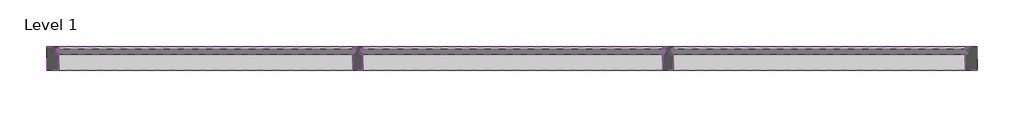
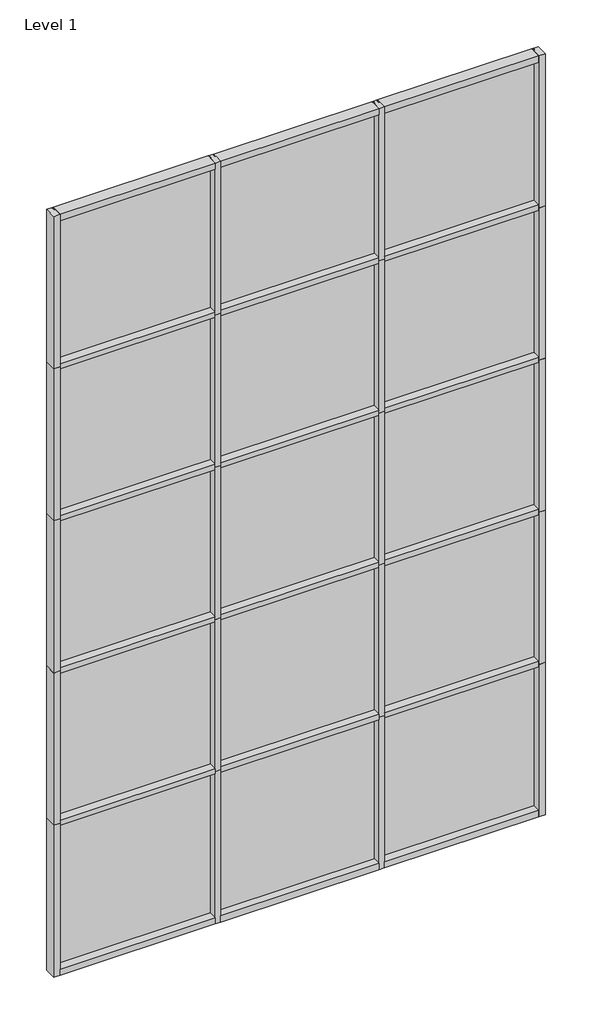
# One storey: 38 members, 15 plates.
"""IFC4 building model written with IfcOpenShell, lengths in millimetres."""

import ifcopenshell
import ifcopenshell.guid

model = None  # the IFC model being written
_history = None  # IfcOwnerHistory: only IFC2X3 demands one
_inside = {}  # id of a spatial element -> (the spatial element, [elements in it])
_under = {}  # id of a project, library or spatial element -> (it, [spatial elements below it])
_declared = {}  # id of a project -> (the project, [libraries it declares])
_typed = {}  # id of a type object -> (the type object, [elements of that type])
_made_of = {}  # id of a material, layer set ... -> (it, [elements and type objects made of it])


def new_model(schema):
    """Start an empty IFC model of exactly this schema.

    Asked for "IFC4X3", IfcOpenShell would pick the latest addendum, in which some entities
    have other attributes; the version numbers below select the first issue.
    IFC2X3 requires an IfcOwnerHistory on every rooted entity: one is made here for all.
    """
    global model, _history
    if schema == "IFC4X3":
        model = ifcopenshell.file(schema_version=(4, 3, 0, 0))
    else:
        model = ifcopenshell.file(schema=schema)
    _inside.clear()
    _under.clear()
    _declared.clear()
    _typed.clear()
    _made_of.clear()
    _history = None
    if model.schema == "IFC2X3":
        org = make("IfcOrganization", Name="unknown")
        user = make(
            "IfcPersonAndOrganization",
            ThePerson=make("IfcPerson", FamilyName="unknown"),
            TheOrganization=org,
        )
        app = make(
            "IfcApplication",
            ApplicationDeveloper=org,
            Version="unknown",
            ApplicationFullName="unknown",
            ApplicationIdentifier="unknown",
        )
        _history = make(
            "IfcOwnerHistory",
            OwningUser=user,
            OwningApplication=app,
            ChangeAction="ADDED",
            CreationDate=0,
        )
    return model


def make(cls, **values):
    """One entity of the class cls with the attributes given. An attribute that is None is left unset."""
    return model.create_entity(
        cls, **{name: value for name, value in values.items() if value is not None}
    )


def rooted(cls, **values):
    """An entity with a GlobalId (a new one), such as an element, a storey or a relation."""
    return make(cls, GlobalId=ifcopenshell.guid.new(), OwnerHistory=_history, **values)


def si_unit(unit_type, name, prefix=None):
    """IfcSIUnit, for example si_unit("LENGTHUNIT", "METRE", prefix="MILLI")."""
    return make("IfcSIUnit", UnitType=unit_type, Prefix=prefix, Name=name)


def assignment(units):
    """IfcUnitAssignment: the units of a project."""
    return None if units is None else make("IfcUnitAssignment", Units=units)


def point(xyz):
    """IfcCartesianPoint."""
    return None if xyz is None else make("IfcCartesianPoint", Coordinates=xyz)


def direction(xyz):
    """IfcDirection."""
    return None if xyz is None else make("IfcDirection", DirectionRatios=xyz)


def frame(location, z_axis=None, x_axis=None):
    """IfcAxis2Placement3D, a coordinate frame: its origin and axes. An axis left out is left unset."""
    return make(
        "IfcAxis2Placement3D",
        Location=point(location),
        Axis=direction(z_axis),
        RefDirection=direction(x_axis),
    )


def origin():
    """The frame at (0, 0, 0) with its axes left unset."""
    return frame((0.0, 0.0, 0.0))


def origin_with_axes():
    """The frame at (0, 0, 0) with the z axis (0, 0, 1) and the x axis (1, 0, 0) written out."""
    return frame((0.0, 0.0, 0.0), z_axis=(0.0, 0.0, 1.0), x_axis=(1.0, 0.0, 0.0))


def place(relative_to, where):
    """IfcLocalPlacement: puts the frame where relative to a parent placement (None: the world)."""
    return make(
        "IfcLocalPlacement", PlacementRelTo=relative_to, RelativePlacement=where
    )


def context(
    kind, dimensions, precision=None, world=None, true_north=None, identifier=None
):
    """IfcGeometricRepresentationContext, for example the 3D "Model" context."""
    return make(
        "IfcGeometricRepresentationContext",
        ContextIdentifier=identifier,
        ContextType=kind,
        CoordinateSpaceDimension=dimensions,
        Precision=precision,
        WorldCoordinateSystem=world,
        TrueNorth=true_north,
    )


def project(units=None, contexts=None):
    """IfcProject with its units and contexts."""
    return rooted(
        "IfcProject",
        Name="project",
        RepresentationContexts=contexts,
        UnitsInContext=assignment(units),
    )


def spatial(cls, under=None, at=None, **own):
    """A site, building, storey or space (cls), placed at a placement, below another one or the project."""
    s = rooted(cls, ObjectPlacement=at, **own)
    if under is not None:
        _under.setdefault(under.id(), (under, []))[1].append(s)
    return s


def polyline(points):
    """IfcPolyline through the points."""
    return make("IfcPolyline", Points=[point(p) for p in points])


def outline(outer, holes=None, kind="AREA"):
    """IfcArbitraryClosedProfileDef: a profile drawn as a closed curve; with holes, ...WithVoids."""
    if holes is None:
        return make("IfcArbitraryClosedProfileDef", ProfileType=kind, OuterCurve=outer)
    return make(
        "IfcArbitraryProfileDefWithVoids",
        ProfileType=kind,
        OuterCurve=outer,
        InnerCurves=holes,
    )


def extrude(swept, where, along, depth):
    """IfcExtrudedAreaSolid: the profile swept, set in the frame where, extruded along a direction by depth."""
    return make(
        "IfcExtrudedAreaSolid",
        SweptArea=swept,
        Position=where,
        ExtrudedDirection=direction(along),
        Depth=depth,
    )


def shape(context_of_items, identifier, shape_type, items):
    """IfcShapeRepresentation: the items that make up one representation, for example the "Body"."""
    return make(
        "IfcShapeRepresentation",
        ContextOfItems=context_of_items,
        RepresentationIdentifier=identifier,
        RepresentationType=shape_type,
        Items=items,
    )


def source(mapping_origin, context_of_items, identifier, shape_type, items):
    """IfcRepresentationMap: a shape defined once, which mapped items show again and again."""
    return make(
        "IfcRepresentationMap",
        MappingOrigin=mapping_origin,
        MappedRepresentation=shape(context_of_items, identifier, shape_type, items),
    )


def transform(
    local_origin,
    x_axis=None,
    y_axis=None,
    z_axis=None,
    scale=None,
    scale2=None,
    scale3=None,
    uniform=True,
):
    """IfcCartesianTransformationOperator3D, or its non-uniform kind. x_axis, y_axis, z_axis: its Axis1, 2, 3."""
    if uniform:
        return make(
            "IfcCartesianTransformationOperator3D",
            Axis1=direction(x_axis),
            Axis2=direction(y_axis),
            LocalOrigin=point(local_origin),
            Scale=scale,
            Axis3=direction(z_axis),
        )
    return make(
        "IfcCartesianTransformationOperator3DnonUniform",
        Axis1=direction(x_axis),
        Axis2=direction(y_axis),
        LocalOrigin=point(local_origin),
        Scale=scale,
        Axis3=direction(z_axis),
        Scale2=scale2,
        Scale3=scale3,
    )


def mapped(mapping_source, mapping_target):
    """IfcMappedItem: shows the shape of a source again, moved by a transform."""
    return make(
        "IfcMappedItem", MappingSource=mapping_source, MappingTarget=mapping_target
    )


def made_of(thing, what):
    """Note that an element or type object is made of a material, layer set ...; save() writes the relation."""
    if what is not None:
        _made_of.setdefault(what.id(), (what, []))[1].append(thing)
    return thing


def element(
    cls,
    number,
    at=None,
    inside=None,
    cuts=None,
    type_object=None,
    material=None,
    context=None,
    identifier="Body",
    shape_type=None,
    held_by="IfcProductDefinitionShape",
    body=None,
    shapes=None,
    **own,
):
    """One element of the class cls, such as IfcWall. Its Tag is "e" and its number.

    at: its placement. inside: the storey or other place that contains it. cuts: it is an
    opening in that element (IfcRelVoidsElement). A single representation is given by context,
    identifier, shape_type and body (its items); several are given by shapes. held_by: the class
    of the entity that holds the representations. save() writes the other relations.
    """
    e = rooted(cls, Tag="e%d" % number, ObjectPlacement=at, **own)
    if body is not None:
        shapes = [shape(context, identifier, shape_type, body)]
    if shapes is not None:
        e.Representation = make(held_by, Representations=shapes)
    if inside is not None:
        _inside.setdefault(inside.id(), (inside, []))[1].append(e)
    if cuts is not None:
        rooted(
            "IfcRelVoidsElement", RelatingBuildingElement=cuts, RelatedOpeningElement=e
        )
    if type_object is not None:
        _typed.setdefault(type_object.id(), (type_object, []))[1].append(e)
    return made_of(e, material)


def aggregate(whole, parts):
    """IfcRelAggregates: a whole, such as a stair, and the parts it consists of."""
    return rooted("IfcRelAggregates", RelatingObject=whole, RelatedObjects=parts)


def save(model, path):
    """Write the relations noted so far, then the file.

    IfcRelAggregates (storeys below a building ...), IfcRelContainedInSpatialStructure (elements
    in a storey), IfcRelDefinesByType, IfcRelAssociatesMaterial and IfcRelDeclares: one each for
    every whole, place, type object, material and project.
    """
    for whole, parts in _under.values():
        aggregate(whole, parts)
    for where, things in _inside.values():
        rooted(
            "IfcRelContainedInSpatialStructure",
            RelatedElements=things,
            RelatingStructure=where,
        )
    for kind, things in _typed.values():
        rooted("IfcRelDefinesByType", RelatedObjects=things, RelatingType=kind)
    for what, things in _made_of.values():
        rooted("IfcRelAssociatesMaterial", RelatedObjects=things, RelatingMaterial=what)
    for by, libraries in _declared.values():
        rooted("IfcRelDeclares", RelatingContext=by, RelatedDefinitions=libraries)
    model.write(path)


def rectangular_mullion_2fa33fcc(model_context):
    return source(origin(), model_context, "Body", "SweptSolid", [
        extrude(outline(polyline([(29.7344027, 90.4875), (29.7344027, 12.7), (17.0326322, 12.7), (17.0326322, -12.7), (29.7344027, -12.7), (29.7344027, -23.8125), (-21.0655973, -23.8125), (-21.0655973, -12.7), (-8.3655973, -12.7), (-8.3655973, 12.7), (-21.0655973, 12.7), (-21.0655973, 90.4875), (29.7344027, 90.4875)])), frame((0.0, 0.0, -1478.28), z_axis=(0.0, 0.0, 1.0), x_axis=(1.0, 0.0, 0.0)), (0.0, 0.0, 1.0), 1478.28),
    ])


def rectangular_mullion_71455718(model_context):
    return source(origin(), model_context, "Body", "SweptSolid", [
        extrude(outline(polyline([(-60.325, 90.4875), (0.0, 90.4875), (0.0, -23.8125), (-60.325, -23.8125), (-60.325, -12.7), (-47.6232296, -12.7), (-47.6232296, 12.7), (-60.325, 12.7), (-60.325, 90.4875)])), frame((0.0, 0.0, -1478.28), z_axis=(0.0, 0.0, 1.0), x_axis=(1.0, 0.0, 0.0)), (0.0, 0.0, 1.0), 1478.28),
    ])


def rectangular_mullion_cef22a5a(model_context):
    return source(origin(), model_context, "Body", "SweptSolid", [
        extrude(outline(polyline([(-60.325, 90.4875), (0.0, 90.4875), (0.0, -23.8125), (-60.325, -23.8125), (-60.325, -12.7), (-47.6232296, -12.7), (-47.6232296, 12.7), (-60.325, 12.7), (-60.325, 90.4875)])), frame((0.0, 0.0, -1456.2666667), z_axis=(0.0, 0.0, 1.0), x_axis=(1.0, 0.0, 0.0)), (0.0, 0.0, 1.0), 1456.2666667),
    ])


def rectangular_mullion_4edd4589(model_context):
    return source(origin(), model_context, "Body", "SweptSolid", [
        extrude(outline(polyline([(29.7344027, 90.4875), (29.7344027, 12.7), (17.0326322, 12.7), (17.0326322, -12.7), (29.7344027, -12.7), (29.7344027, -23.8125), (-21.0655973, -23.8125), (-21.0655973, -12.7), (-8.3655973, -12.7), (-8.3655973, 12.7), (-21.0655973, 12.7), (-21.0655973, 90.4875), (29.7344027, 90.4875)])), frame((0.0, 0.0, -1456.2666667), z_axis=(0.0, 0.0, 1.0), x_axis=(1.0, 0.0, 0.0)), (0.0, 0.0, 1.0), 1456.2666667),
    ])


def rectangular_mullion_1ad57100(model_context):
    return source(origin(), model_context, "Body", "SweptSolid", [
        extrude(outline(polyline([(-60.325, 90.4875), (0.0, 90.4875), (0.0, -23.8125), (-60.325, -23.8125), (-60.325, -12.7), (-47.6232296, -12.7), (-47.6232296, 12.7), (-60.325, 12.7), (-60.325, 90.4875)])), frame((0.0, 0.0, -1425.6760693), z_axis=(0.0, 0.0, 1.0), x_axis=(1.0, 0.0, 0.0)), (0.0, 0.0, 1.0), 1425.6760693),
    ])


def rectangular_mullion_dde3ee9e(model_context):
    return source(origin(), model_context, "Body", "SweptSolid", [
        extrude(outline(polyline([(29.7344027, 90.4875), (29.7344027, 12.7), (17.0326322, 12.7), (17.0326322, -12.7), (29.7344027, -12.7), (29.7344027, -23.8125), (-21.0655973, -23.8125), (-21.0655973, -12.7), (-8.3655973, -12.7), (-8.3655973, 12.7), (-21.0655973, 12.7), (-21.0655973, 90.4875), (29.7344027, 90.4875)])), frame((0.0, 0.0, -1425.6760693), z_axis=(0.0, 0.0, 1.0), x_axis=(1.0, 0.0, 0.0)), (0.0, 0.0, 1.0), 1425.6760693),
    ])


def rectangular_mullion_64bbd10e(model_context):
    return source(origin(), model_context, "Body", "SweptSolid", [
        extrude(outline(polyline([(-60.325, 90.4875), (0.0, 90.4875), (0.0, -23.8125), (-60.325, -23.8125), (-60.325, -12.7), (-47.6232296, -12.7), (-47.6232296, 12.7), (-60.325, 12.7), (-60.325, 90.4875)])), frame((0.0, 0.0, -1417.007264), z_axis=(0.0, 0.0, 1.0), x_axis=(1.0, 0.0, 0.0)), (0.0, 0.0, 1.0), 1417.007264),
    ])


def rectangular_mullion_15b7661d(model_context):
    return source(origin(), model_context, "Body", "SweptSolid", [
        extrude(outline(polyline([(29.7344027, 90.4875), (29.7344027, 12.7), (17.0326322, 12.7), (17.0326322, -12.7), (29.7344027, -12.7), (29.7344027, -23.8125), (-21.0655973, -23.8125), (-21.0655973, -12.7), (-8.3655973, -12.7), (-8.3655973, 12.7), (-21.0655973, 12.7), (-21.0655973, 90.4875), (29.7344027, 90.4875)])), frame((0.0, 0.0, -1417.007264), z_axis=(0.0, 0.0, 1.0), x_axis=(1.0, 0.0, 0.0)), (0.0, 0.0, 1.0), 1417.007264),
    ])


def plate_1d45d4bf(model_context):
    return source(origin(), model_context, "Body", "SweptSolid", [
        extrude(outline(polyline([(740.8342185, -12.7), (-740.8342185, -12.7), (-740.8342185, 12.7), (740.8342185, 12.7), (740.8342185, -12.7)])), origin_with_axes(), (0.0, 0.0, 1.0), 1452.8817704),
    ])


def plate_0813aef6(model_context):
    return source(origin(), model_context, "Body", "SweptSolid", [
        extrude(outline(polyline([(740.8342185, -12.7), (-740.8342185, -12.7), (-740.8342185, 12.7), (740.8342185, 12.7), (740.8342185, -12.7)])), origin_with_axes(), (0.0, 0.0, 1.0), 1413.6241382),
    ])


def plate_e82f38fc(model_context):
    return source(origin(), model_context, "Body", "SweptSolid", [
        extrude(outline(polyline([(740.8342185, -12.7), (-740.8342185, -12.7), (-740.8342185, 12.7), (740.8342185, 12.7), (740.8342185, -12.7)])), origin_with_axes(), (0.0, 0.0, 1.0), 1422.2911731),
    ])


def plate_5cc4ec3b(model_context):
    return source(origin(), model_context, "Body", "SweptSolid", [
        extrude(outline(polyline([(725.5389199, -12.7), (-725.5389199, -12.7), (-725.5389199, 12.7), (725.5389199, 12.7), (725.5389199, -12.7)])), origin_with_axes(), (0.0, 0.0, 1.0), 1422.2911731),
    ])


def plate_f4e8a23c(model_context):
    return source(origin(), model_context, "Body", "SweptSolid", [
        extrude(outline(polyline([(725.5389199, -12.7), (-725.5389199, -12.7), (-725.5389199, 12.7), (725.5389199, 12.7), (725.5389199, -12.7)])), origin_with_axes(), (0.0, 0.0, 1.0), 1452.8817704),
    ])


def plate_514241ba(model_context):
    return source(origin(), model_context, "Body", "SweptSolid", [
        extrude(outline(polyline([(725.5389199, -12.7), (-725.5389199, -12.7), (-725.5389199, 12.7), (725.5389199, 12.7), (725.5389199, -12.7)])), origin_with_axes(), (0.0, 0.0, 1.0), 1413.6241382),
    ])


def plate_412d253f(model_context):
    return source(origin(), model_context, "Body", "SweptSolid", [
        extrude(outline(polyline([(721.2054024, -12.7), (-721.2054024, -12.7), (-721.2054024, 12.7), (721.2054024, 12.7), (721.2054024, -12.7)])), origin_with_axes(), (0.0, 0.0, 1.0), 1422.2911731),
    ])


def plate_50563db6(model_context):
    return source(origin(), model_context, "Body", "SweptSolid", [
        extrude(outline(polyline([(721.2054024, -12.7), (-721.2054024, -12.7), (-721.2054024, 12.7), (721.2054024, 12.7), (721.2054024, -12.7)])), origin_with_axes(), (0.0, 0.0, 1.0), 1452.8817704),
    ])


def plate_c4b483ed(model_context):
    return source(origin(), model_context, "Body", "SweptSolid", [
        extrude(outline(polyline([(721.2054024, -12.7), (-721.2054024, -12.7), (-721.2054024, 12.7), (721.2054024, 12.7), (721.2054024, -12.7)])), origin_with_axes(), (0.0, 0.0, 1.0), 1413.6241382),
    ])


model = new_model("IFC4")

# Units and contexts
model_context = context("Model", 3, world=origin())
ifc_project = project(units=[si_unit("LENGTHUNIT", "METRE", prefix="MILLI")], contexts=[model_context])

# Site, building, storey
site = spatial("IfcSite", under=ifc_project)
building = spatial("IfcBuilding", under=site)
storey = spatial("IfcBuildingStorey", under=building, Name="Level 1", Elevation=0.0)

# Members
placement = place(None, origin())
rectangular_mullion_shape = rectangular_mullion_2fa33fcc(model_context)
element("IfcMember", 1, ObjectType="Rectangular Mullion", at=placement, inside=storey, context=model_context, shape_type="MappedRepresentation", body=[
    mapped(rectangular_mullion_shape, transform((4948.0549342, 4173.5366393, 0.0), x_axis=(1.0, 0.0, 0.0), y_axis=(0.0, -1.0, 0.0), z_axis=(0.0, 0.0, -1.0))),
])
element("IfcMember", 2, ObjectType="Rectangular Mullion", at=placement, inside=storey, context=model_context, shape_type="MappedRepresentation", body=[
    mapped(rectangular_mullion_shape, transform((6455.1216009, 4173.5366393, 0.0), x_axis=(1.0, 0.0, 0.0), y_axis=(0.0, -1.0, 0.0), z_axis=(0.0, 0.0, -1.0))),
])
element("IfcMember", 3, ObjectType="Rectangular Mullion", at=placement, inside=storey, context=model_context, shape_type="MappedRepresentation", body=[
    mapped(rectangular_mullion_shape, transform((4948.0549342, 4173.5366393, 1478.28), x_axis=(1.0, 0.0, 0.0), y_axis=(0.0, -1.0, 0.0), z_axis=(0.0, 0.0, -1.0))),
])
element("IfcMember", 4, ObjectType="Rectangular Mullion", at=placement, inside=storey, context=model_context, shape_type="MappedRepresentation", body=[
    mapped(rectangular_mullion_shape, transform((6455.1216009, 4173.5366393, 1478.28), x_axis=(1.0, 0.0, 0.0), y_axis=(0.0, -1.0, 0.0), z_axis=(0.0, 0.0, -1.0))),
])
element("IfcMember", 5, ObjectType="Rectangular Mullion", at=placement, inside=storey, context=model_context, shape_type="MappedRepresentation", body=[
    mapped(rectangular_mullion_shape, transform((4948.0549342, 4173.5366393, 2956.56), x_axis=(1.0, 0.0, 0.0), y_axis=(0.0, -1.0, 0.0), z_axis=(0.0, 0.0, -1.0))),
])
element("IfcMember", 6, ObjectType="Rectangular Mullion", at=placement, inside=storey, context=model_context, shape_type="MappedRepresentation", body=[
    mapped(rectangular_mullion_shape, transform((6455.1216009, 4173.5366393, 2956.56), x_axis=(1.0, 0.0, 0.0), y_axis=(0.0, -1.0, 0.0), z_axis=(0.0, 0.0, -1.0))),
])
element("IfcMember", 7, ObjectType="Rectangular Mullion", at=placement, inside=storey, context=model_context, shape_type="MappedRepresentation", body=[
    mapped(rectangular_mullion_shape, transform((4948.0549342, 4173.5366393, 4434.84), x_axis=(1.0, 0.0, 0.0), y_axis=(0.0, -1.0, 0.0), z_axis=(0.0, 0.0, -1.0))),
])
element("IfcMember", 8, ObjectType="Rectangular Mullion", at=placement, inside=storey, context=model_context, shape_type="MappedRepresentation", body=[
    mapped(rectangular_mullion_shape, transform((6455.1216009, 4173.5366393, 4434.84), x_axis=(1.0, 0.0, 0.0), y_axis=(0.0, -1.0, 0.0), z_axis=(0.0, 0.0, -1.0))),
])
rectangular_mullion_2_shape = rectangular_mullion_71455718(model_context)
element("IfcMember", 9, ObjectType="Rectangular Mullion", at=placement, inside=storey, context=model_context, shape_type="MappedRepresentation", body=[
    mapped(rectangular_mullion_2_shape, transform((7962.1882675, 4173.5366393, 0.0), x_axis=(1.0, 0.0, 0.0), y_axis=(0.0, -1.0, 0.0), z_axis=(0.0, 0.0, -1.0))),
])
element("IfcMember", 10, ObjectType="Rectangular Mullion", at=placement, inside=storey, context=model_context, shape_type="MappedRepresentation", body=[
    mapped(rectangular_mullion_2_shape, transform((7962.1882675, 4173.5366393, 1478.28), x_axis=(1.0, 0.0, 0.0), y_axis=(0.0, -1.0, 0.0), z_axis=(0.0, 0.0, -1.0))),
])
element("IfcMember", 11, ObjectType="Rectangular Mullion", at=placement, inside=storey, context=model_context, shape_type="MappedRepresentation", body=[
    mapped(rectangular_mullion_2_shape, transform((7962.1882675, 4173.5366393, 2956.56), x_axis=(1.0, 0.0, 0.0), y_axis=(0.0, -1.0, 0.0), z_axis=(0.0, 0.0, -1.0))),
])
element("IfcMember", 12, ObjectType="Rectangular Mullion", at=placement, inside=storey, context=model_context, shape_type="MappedRepresentation", body=[
    mapped(rectangular_mullion_2_shape, transform((7962.1882675, 4173.5366393, 4434.84), x_axis=(1.0, 0.0, 0.0), y_axis=(0.0, -1.0, 0.0), z_axis=(0.0, 0.0, -1.0))),
])
element("IfcMember", 13, ObjectType="Rectangular Mullion", at=placement, inside=storey, context=model_context, shape_type="MappedRepresentation", body=[
    mapped(rectangular_mullion_2_shape, transform((3440.9882675, 4173.5366393, 1478.28), x_axis=(-1.0, 0.0, 0.0), y_axis=(0.0, -1.0, 0.0), z_axis=(0.0, 0.0, 1.0))),
])
element("IfcMember", 14, ObjectType="Rectangular Mullion", at=placement, inside=storey, context=model_context, shape_type="MappedRepresentation", body=[
    mapped(rectangular_mullion_2_shape, transform((3440.9882675, 4173.5366393, 2956.56), x_axis=(-1.0, 0.0, 0.0), y_axis=(0.0, -1.0, 0.0), z_axis=(0.0, 0.0, 1.0))),
])
element("IfcMember", 15, ObjectType="Rectangular Mullion", at=placement, inside=storey, context=model_context, shape_type="MappedRepresentation", body=[
    mapped(rectangular_mullion_2_shape, transform((3440.9882675, 4173.5366393, 4434.84), x_axis=(-1.0, 0.0, 0.0), y_axis=(0.0, -1.0, 0.0), z_axis=(0.0, 0.0, 1.0))),
])
element("IfcMember", 16, ObjectType="Rectangular Mullion", at=placement, inside=storey, context=model_context, shape_type="MappedRepresentation", body=[
    mapped(rectangular_mullion_2_shape, transform((3440.9882675, 4173.5366393, 5913.12), x_axis=(-1.0, 0.0, 0.0), y_axis=(0.0, -1.0, 0.0), z_axis=(0.0, 0.0, 1.0))),
])
element("IfcMember", 17, ObjectType="Rectangular Mullion", at=placement, inside=storey, context=model_context, shape_type="MappedRepresentation", body=[
    mapped(rectangular_mullion_shape, transform((4948.0549342, 4173.5366393, 5913.12), x_axis=(1.0, 0.0, 0.0), y_axis=(0.0, -1.0, 0.0), z_axis=(0.0, 0.0, -1.0))),
])
element("IfcMember", 18, ObjectType="Rectangular Mullion", at=placement, inside=storey, context=model_context, shape_type="MappedRepresentation", body=[
    mapped(rectangular_mullion_shape, transform((6455.1216009, 4173.5366393, 5913.12), x_axis=(1.0, 0.0, 0.0), y_axis=(0.0, -1.0, 0.0), z_axis=(0.0, 0.0, -1.0))),
])
element("IfcMember", 19, ObjectType="Rectangular Mullion", at=placement, inside=storey, context=model_context, shape_type="MappedRepresentation", body=[
    mapped(rectangular_mullion_2_shape, transform((3440.9882675, 4173.5366393, 7391.4), x_axis=(-1.0, 0.0, 0.0), y_axis=(0.0, -1.0, 0.0), z_axis=(0.0, 0.0, 1.0))),
])
element("IfcMember", 20, ObjectType="Rectangular Mullion", at=placement, inside=storey, context=model_context, shape_type="MappedRepresentation", body=[
    mapped(rectangular_mullion_2_shape, transform((7962.1882675, 4173.5366393, 5913.12), x_axis=(1.0, 0.0, 0.0), y_axis=(0.0, -1.0, 0.0), z_axis=(0.0, 0.0, -1.0))),
])
rectangular_mullion_3_shape = rectangular_mullion_cef22a5a(model_context)
element("IfcMember", 21, ObjectType="Rectangular Mullion", at=placement, inside=storey, context=model_context, shape_type="MappedRepresentation", body=[
    mapped(rectangular_mullion_3_shape, transform((4977.7893369, 4173.5366393, 0.0), x_axis=(0.0, 0.0, -1.0), y_axis=(0.0, -1.0, 0.0), z_axis=(-1.0, 0.0, 0.0))),
])
rectangular_mullion_4_shape = rectangular_mullion_4edd4589(model_context)
element("IfcMember", 22, ObjectType="Rectangular Mullion", at=placement, inside=storey, context=model_context, shape_type="MappedRepresentation", body=[
    mapped(rectangular_mullion_4_shape, transform((6434.0560035, 4173.5366393, 1478.28), x_axis=(0.0, 0.0, 1.0), y_axis=(0.0, -1.0, 0.0), z_axis=(1.0, 0.0, 0.0))),
])
element("IfcMember", 23, ObjectType="Rectangular Mullion", at=placement, inside=storey, context=model_context, shape_type="MappedRepresentation", body=[
    mapped(rectangular_mullion_4_shape, transform((6434.0560035, 4173.5366393, 2956.56), x_axis=(0.0, 0.0, 1.0), y_axis=(0.0, -1.0, 0.0), z_axis=(1.0, 0.0, 0.0))),
])
element("IfcMember", 24, ObjectType="Rectangular Mullion", at=placement, inside=storey, context=model_context, shape_type="MappedRepresentation", body=[
    mapped(rectangular_mullion_4_shape, transform((6434.0560035, 4173.5366393, 4434.84), x_axis=(0.0, 0.0, 1.0), y_axis=(0.0, -1.0, 0.0), z_axis=(1.0, 0.0, 0.0))),
])
element("IfcMember", 25, ObjectType="Rectangular Mullion", at=placement, inside=storey, context=model_context, shape_type="MappedRepresentation", body=[
    mapped(rectangular_mullion_4_shape, transform((6434.0560035, 4173.5366393, 5913.12), x_axis=(0.0, 0.0, 1.0), y_axis=(0.0, -1.0, 0.0), z_axis=(1.0, 0.0, 0.0))),
])
element("IfcMember", 26, ObjectType="Rectangular Mullion", at=placement, inside=storey, context=model_context, shape_type="MappedRepresentation", body=[
    mapped(rectangular_mullion_3_shape, transform((6434.0560035, 4173.5366393, 7391.4), x_axis=(0.0, 0.0, 1.0), y_axis=(0.0, -1.0, 0.0), z_axis=(1.0, 0.0, 0.0))),
])
rectangular_mullion_5_shape = rectangular_mullion_1ad57100(model_context)
element("IfcMember", 27, ObjectType="Rectangular Mullion", at=placement, inside=storey, context=model_context, shape_type="MappedRepresentation", body=[
    mapped(rectangular_mullion_5_shape, transform((4926.9893369, 4173.5366393, 7391.4), x_axis=(0.0, 0.0, 1.0), y_axis=(0.0, -1.0, 0.0), z_axis=(1.0, 0.0, 0.0))),
])
element("IfcMember", 28, ObjectType="Rectangular Mullion", at=placement, inside=storey, context=model_context, shape_type="MappedRepresentation", body=[
    mapped(rectangular_mullion_5_shape, transform((3501.3132675, 4173.5366393, 0.0), x_axis=(0.0, 0.0, -1.0), y_axis=(0.0, -1.0, 0.0), z_axis=(-1.0, 0.0, 0.0))),
])
rectangular_mullion_6_shape = rectangular_mullion_dde3ee9e(model_context)
element("IfcMember", 29, ObjectType="Rectangular Mullion", at=placement, inside=storey, context=model_context, shape_type="MappedRepresentation", body=[
    mapped(rectangular_mullion_6_shape, transform((4926.9893369, 4173.5366393, 1478.28), x_axis=(0.0, 0.0, 1.0), y_axis=(0.0, -1.0, 0.0), z_axis=(1.0, 0.0, 0.0))),
])
element("IfcMember", 30, ObjectType="Rectangular Mullion", at=placement, inside=storey, context=model_context, shape_type="MappedRepresentation", body=[
    mapped(rectangular_mullion_6_shape, transform((4926.9893369, 4173.5366393, 2956.56), x_axis=(0.0, 0.0, 1.0), y_axis=(0.0, -1.0, 0.0), z_axis=(1.0, 0.0, 0.0))),
])
element("IfcMember", 31, ObjectType="Rectangular Mullion", at=placement, inside=storey, context=model_context, shape_type="MappedRepresentation", body=[
    mapped(rectangular_mullion_6_shape, transform((4926.9893369, 4173.5366393, 4434.84), x_axis=(0.0, 0.0, 1.0), y_axis=(0.0, -1.0, 0.0), z_axis=(1.0, 0.0, 0.0))),
])
element("IfcMember", 32, ObjectType="Rectangular Mullion", at=placement, inside=storey, context=model_context, shape_type="MappedRepresentation", body=[
    mapped(rectangular_mullion_6_shape, transform((4926.9893369, 4173.5366393, 5913.12), x_axis=(0.0, 0.0, 1.0), y_axis=(0.0, -1.0, 0.0), z_axis=(1.0, 0.0, 0.0))),
])
rectangular_mullion_7_shape = rectangular_mullion_64bbd10e(model_context)
element("IfcMember", 33, ObjectType="Rectangular Mullion", at=placement, inside=storey, context=model_context, shape_type="MappedRepresentation", body=[
    mapped(rectangular_mullion_7_shape, transform((7901.8632675, 4173.5366393, 7391.4), x_axis=(0.0, 0.0, 1.0), y_axis=(0.0, -1.0, 0.0), z_axis=(1.0, 0.0, 0.0))),
])
element("IfcMember", 34, ObjectType="Rectangular Mullion", at=placement, inside=storey, context=model_context, shape_type="MappedRepresentation", body=[
    mapped(rectangular_mullion_7_shape, transform((6484.8560035, 4173.5366393, 0.0), x_axis=(0.0, 0.0, -1.0), y_axis=(0.0, -1.0, 0.0), z_axis=(-1.0, 0.0, 0.0))),
])
rectangular_mullion_8_shape = rectangular_mullion_15b7661d(model_context)
element("IfcMember", 35, ObjectType="Rectangular Mullion", at=placement, inside=storey, context=model_context, shape_type="MappedRepresentation", body=[
    mapped(rectangular_mullion_8_shape, transform((7901.8632675, 4173.5366393, 1478.28), x_axis=(0.0, 0.0, 1.0), y_axis=(0.0, -1.0, 0.0), z_axis=(1.0, 0.0, 0.0))),
])
element("IfcMember", 36, ObjectType="Rectangular Mullion", at=placement, inside=storey, context=model_context, shape_type="MappedRepresentation", body=[
    mapped(rectangular_mullion_8_shape, transform((7901.8632675, 4173.5366393, 2956.56), x_axis=(0.0, 0.0, 1.0), y_axis=(0.0, -1.0, 0.0), z_axis=(1.0, 0.0, 0.0))),
])
element("IfcMember", 37, ObjectType="Rectangular Mullion", at=placement, inside=storey, context=model_context, shape_type="MappedRepresentation", body=[
    mapped(rectangular_mullion_8_shape, transform((7901.8632675, 4173.5366393, 4434.84), x_axis=(0.0, 0.0, 1.0), y_axis=(0.0, -1.0, 0.0), z_axis=(1.0, 0.0, 0.0))),
])
element("IfcMember", 38, ObjectType="Rectangular Mullion", at=placement, inside=storey, context=model_context, shape_type="MappedRepresentation", body=[
    mapped(rectangular_mullion_8_shape, transform((7901.8632675, 4173.5366393, 5913.12), x_axis=(0.0, 0.0, 1.0), y_axis=(0.0, -1.0, 0.0), z_axis=(1.0, 0.0, 0.0))),
])

# Plates
plate_shape = plate_1d45d4bf(model_context)
element("IfcPlate", 39, ObjectType="System Panel : 1\" Glass Solid", at=placement, inside=storey, context=model_context, shape_type="MappedRepresentation", body=[
    mapped(plate_shape, transform((5705.921785, 4173.5366393, 1495.3126322), x_axis=(1.0, 0.0, 0.0), y_axis=(0.0, 1.0, 0.0), z_axis=(0.0, 0.0, 1.0))),
])
element("IfcPlate", 40, ObjectType="System Panel : 1\" Glass Solid", at=placement, inside=storey, context=model_context, shape_type="MappedRepresentation", body=[
    mapped(plate_shape, transform((5705.921785, 4173.5366393, 2973.5926322), x_axis=(1.0, 0.0, 0.0), y_axis=(0.0, 1.0, 0.0), z_axis=(0.0, 0.0, 1.0))),
])
element("IfcPlate", 41, ObjectType="System Panel : 1\" Glass Solid", at=placement, inside=storey, context=model_context, shape_type="MappedRepresentation", body=[
    mapped(plate_shape, transform((5705.921785, 4173.5366393, 4451.8726322), x_axis=(1.0, 0.0, 0.0), y_axis=(0.0, 1.0, 0.0), z_axis=(0.0, 0.0, 1.0))),
])
plate_2_shape = plate_0813aef6(model_context)
element("IfcPlate", 42, ObjectType="System Panel : 1\" Glass Solid", at=placement, inside=storey, context=model_context, shape_type="MappedRepresentation", body=[
    mapped(plate_2_shape, transform((5705.921785, 4173.5366393, 5930.1526322), x_axis=(1.0, 0.0, 0.0), y_axis=(0.0, 1.0, 0.0), z_axis=(0.0, 0.0, 1.0))),
])
plate_3_shape = plate_e82f38fc(model_context)
element("IfcPlate", 43, ObjectType="System Panel : 1\" Glass Solid", at=placement, inside=storey, context=model_context, shape_type="MappedRepresentation", body=[
    mapped(plate_3_shape, transform((5705.921785, 4173.5366393, 47.6232296), x_axis=(1.0, 0.0, 0.0), y_axis=(0.0, 1.0, 0.0), z_axis=(0.0, 0.0, 1.0))),
])
plate_4_shape = plate_5cc4ec3b(model_context)
element("IfcPlate", 44, ObjectType="System Panel : 1\" Glass Solid", at=placement, inside=storey, context=model_context, shape_type="MappedRepresentation", body=[
    mapped(plate_4_shape, transform((4214.150417, 4173.5366393, 47.6232296), x_axis=(1.0, 0.0, 0.0), y_axis=(0.0, 1.0, 0.0), z_axis=(0.0, 0.0, 1.0))),
])
plate_5_shape = plate_f4e8a23c(model_context)
element("IfcPlate", 45, ObjectType="System Panel : 1\" Glass Solid", at=placement, inside=storey, context=model_context, shape_type="MappedRepresentation", body=[
    mapped(plate_5_shape, transform((4214.150417, 4173.5366393, 1495.3126322), x_axis=(1.0, 0.0, 0.0), y_axis=(0.0, 1.0, 0.0), z_axis=(0.0, 0.0, 1.0))),
])
element("IfcPlate", 46, ObjectType="System Panel : 1\" Glass Solid", at=placement, inside=storey, context=model_context, shape_type="MappedRepresentation", body=[
    mapped(plate_5_shape, transform((4214.150417, 4173.5366393, 2973.5926322), x_axis=(1.0, 0.0, 0.0), y_axis=(0.0, 1.0, 0.0), z_axis=(0.0, 0.0, 1.0))),
])
element("IfcPlate", 47, ObjectType="System Panel : 1\" Glass Solid", at=placement, inside=storey, context=model_context, shape_type="MappedRepresentation", body=[
    mapped(plate_5_shape, transform((4214.150417, 4173.5366393, 4451.8726322), x_axis=(1.0, 0.0, 0.0), y_axis=(0.0, 1.0, 0.0), z_axis=(0.0, 0.0, 1.0))),
])
plate_6_shape = plate_514241ba(model_context)
element("IfcPlate", 48, ObjectType="System Panel : 1\" Glass Solid", at=placement, inside=storey, context=model_context, shape_type="MappedRepresentation", body=[
    mapped(plate_6_shape, transform((4214.150417, 4173.5366393, 5930.1526322), x_axis=(1.0, 0.0, 0.0), y_axis=(0.0, 1.0, 0.0), z_axis=(0.0, 0.0, 1.0))),
])
plate_7_shape = plate_412d253f(model_context)
element("IfcPlate", 49, ObjectType="System Panel : 1\" Glass Solid", at=placement, inside=storey, context=model_context, shape_type="MappedRepresentation", body=[
    mapped(plate_7_shape, transform((7193.3596355, 4173.5366393, 47.6232296), x_axis=(1.0, 0.0, 0.0), y_axis=(0.0, 1.0, 0.0), z_axis=(0.0, 0.0, 1.0))),
])
plate_8_shape = plate_50563db6(model_context)
element("IfcPlate", 50, ObjectType="System Panel : 1\" Glass Solid", at=placement, inside=storey, context=model_context, shape_type="MappedRepresentation", body=[
    mapped(plate_8_shape, transform((7193.3596355, 4173.5366393, 1495.3126322), x_axis=(1.0, 0.0, 0.0), y_axis=(0.0, 1.0, 0.0), z_axis=(0.0, 0.0, 1.0))),
])
element("IfcPlate", 51, ObjectType="System Panel : 1\" Glass Solid", at=placement, inside=storey, context=model_context, shape_type="MappedRepresentation", body=[
    mapped(plate_8_shape, transform((7193.3596355, 4173.5366393, 2973.5926322), x_axis=(1.0, 0.0, 0.0), y_axis=(0.0, 1.0, 0.0), z_axis=(0.0, 0.0, 1.0))),
])
element("IfcPlate", 52, ObjectType="System Panel : 1\" Glass Solid", at=placement, inside=storey, context=model_context, shape_type="MappedRepresentation", body=[
    mapped(plate_8_shape, transform((7193.3596355, 4173.5366393, 4451.8726322), x_axis=(1.0, 0.0, 0.0), y_axis=(0.0, 1.0, 0.0), z_axis=(0.0, 0.0, 1.0))),
])
plate_9_shape = plate_c4b483ed(model_context)
element("IfcPlate", 53, ObjectType="System Panel : 1\" Glass Solid", at=placement, inside=storey, context=model_context, shape_type="MappedRepresentation", body=[
    mapped(plate_9_shape, transform((7193.3596355, 4173.5366393, 5930.1526322), x_axis=(1.0, 0.0, 0.0), y_axis=(0.0, 1.0, 0.0), z_axis=(0.0, 0.0, 1.0))),
])

save(model, "model.ifc")
